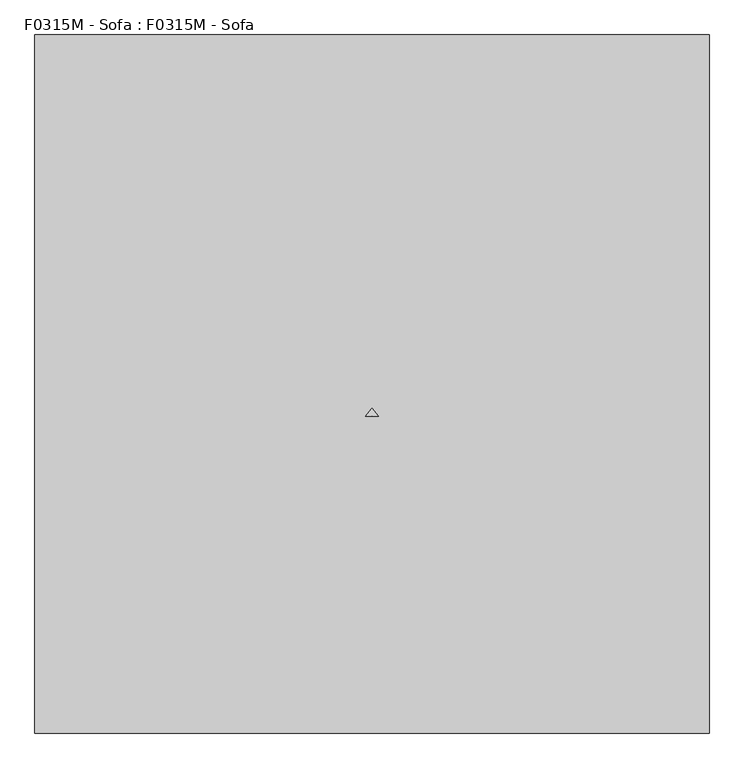
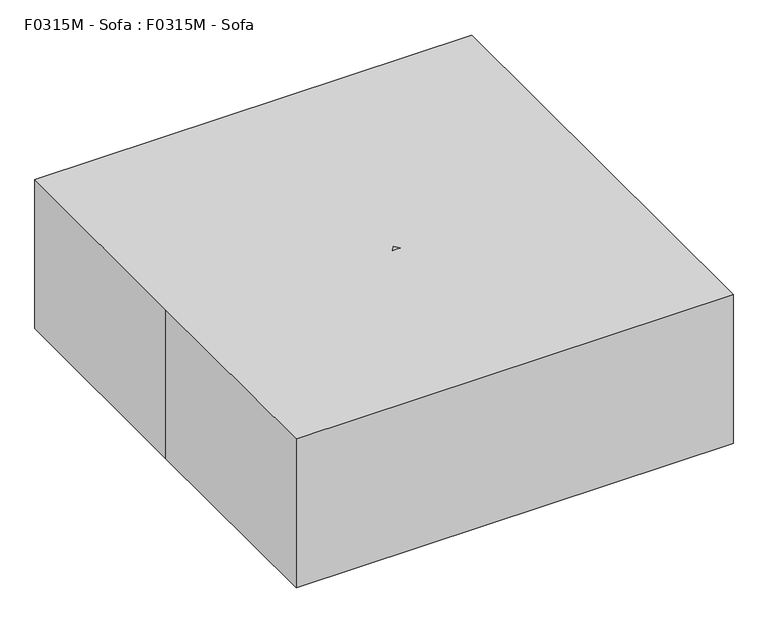
"""IFC4 building model written with IfcOpenShell, lengths in millimetres: proxy geometry, F0315M - Sofa : F0315M - Sofa."""

from ifc_helpers import new_model, si_unit, point, frame, frame_2d, origin, origin_with_axes, place, context, project, spatial, polyline, circle_curve, trimmed, segment, composite_curve, outline, extrude, source, transform, mapped, element, save


def f0315m_sofa_f0315m_sofa_2d7a4205(model_context):
    return source(origin(), model_context, "Body", "SweptSolid", [
        extrude(outline(composite_curve([segment(polyline([(431.8, 965.2), (431.8, 355.6)]), True, "CONTINUOUS"), segment(trimmed(circle_curve(frame_2d((406.4, 355.6)), 25.4), [point((431.8, 355.6))], [point((406.4, 330.2))], False, "CARTESIAN"), True, "CONTINUOUS"), segment(polyline([(406.4, 330.2), (330.2, 330.2), (330.2, 990.6), (406.4, 990.6)]), True, "CONTINUOUS"), segment(trimmed(circle_curve(frame_2d((406.4, 965.2)), 25.4), [point((406.4, 990.6))], [point((431.8, 965.2))], False, "CARTESIAN"), True, "CONTINUOUS")], self_intersect=False)), frame((0.0, -755.092365, 0.0), z_axis=(0.0, 1.0, 0.0), x_axis=(0.0, 0.0, 1.0)), (0.0, 0.0, 1.0), 618.0142551),
        extrude(outline(composite_curve([segment(polyline([(431.8, -355.6), (431.8, -965.2)]), True, "CONTINUOUS"), segment(trimmed(circle_curve(frame_2d((406.4, -965.2)), 25.4), [point((431.8, -965.2))], [point((406.4, -990.6))], False, "CARTESIAN"), True, "CONTINUOUS"), segment(polyline([(406.4, -990.6), (330.2, -990.6), (330.2, -330.2), (406.4, -330.2)]), True, "CONTINUOUS"), segment(trimmed(circle_curve(frame_2d((406.4, -355.6)), 25.4), [point((406.4, -330.2))], [point((431.8, -355.6))], False, "CARTESIAN"), True, "CONTINUOUS")], self_intersect=False)), frame((0.0, -755.092365, 0.0), z_axis=(0.0, 1.0, 0.0), x_axis=(0.0, 0.0, 1.0)), (0.0, 0.0, 1.0), 618.0142551),
        extrude(outline(polyline([(990.6, 38.1), (-990.6, 38.1), (-990.6, 101.6), (990.6, 101.6), (990.6, 38.1)])), frame((0.0, 0.0, 19.05), z_axis=(0.0, 0.0, 1.0), x_axis=(1.0, 0.0, 0.0)), (0.0, 0.0, 1.0), 590.55),
        extrude(outline(composite_curve([segment(polyline([(1981.3746364, 0.0), (1981.3746364, -288.1268149)]), True, "CONTINUOUS"), segment(trimmed(circle_curve(frame_2d((989.3989568, 2458.6692375)), 2920.4287874), [point((1981.3746364, -288.1268149))], [point((0.0, -289.0560047))], False, "CARTESIAN"), True, "CONTINUOUS"), segment(polyline([(0.0, -289.0560047), (0.0, 0.0), (1981.3746364, 0.0)]), True, "CONTINUOUS")], self_intersect=False)), frame((990.6, -36.0313906, 321.1167999), z_axis=(0.0, -0.9975640502598243, 0.06975647374412544), x_axis=(-1.0, 0.0, 0.0)), (0.0, 0.0, 1.0), 101.6),
        extrude(outline(composite_curve([segment(trimmed(circle_curve(frame_2d((-666.6387413, 33.3089154)), 31.75), [point((-698.3887413, 33.3089154))], [point((-634.8887413, 33.3089154))], False, "CARTESIAN"), True, "CONTINUOUS"), segment(trimmed(circle_curve(frame_2d((-666.6387413, 33.3089154)), 31.75), [point((-634.8887413, 33.3089154))], [point((-698.3887413, 33.3089154))], False, "CARTESIAN"), True, "CONTINUOUS")], self_intersect=False)), frame((996.95, 0.0, 0.0), z_axis=(1.0, 0.0, 0.0), x_axis=(0.0, 1.0, 0.0)), (0.0, 0.0, 1.0), 50.8),
        extrude(outline(polyline([(990.6, -713.0468123), (990.6, -620.7125), (1054.1, -620.7125), (1054.1, -713.0468123), (990.6, -713.0468123)])), frame((0.0, 0.0, 66.4991051), z_axis=(0.0, 0.0, 1.0), x_axis=(1.0, 0.0, 0.0)), (0.0, 0.0, 1.0), 35.1008949),
        extrude(outline(polyline([(95.25, 76.2), (77.6578438, 0.0), (20.5078438, 0.0), (2.9156877, 76.2), (2.9156877, 101.6), (95.25, 101.6), (95.25, 76.2)])), frame((990.6, 0.0, 0.0), z_axis=(1.0, 0.0, 0.0), x_axis=(0.0, 1.0, 0.0)), (0.0, 0.0, 1.0), 63.5),
        extrude(outline(composite_curve([segment(polyline([(-101.5877651, 0.0), (-611.4052049, 0.0), (-611.4052049, 101.6), (-721.8894281, 101.6), (-721.8894281, 461.1175191)]), True, "CONTINUOUS"), segment(trimmed(circle_curve(frame_2d((-101.7463258, -3081.0834486)), 3596.0763566), [point((-721.8894281, 461.1175191))], [point((-101.5877651, 514.9929045))], False, "CARTESIAN"), True, "CONTINUOUS"), segment(polyline([(-101.5877651, 514.9929045), (-101.5877651, 0.0)]), True, "CONTINUOUS")], self_intersect=False)), frame((990.6, 0.0, 0.0), z_axis=(1.0, 0.0, 0.0), x_axis=(0.0, 1.0, 0.0)), (0.0, 0.0, 1.0), 63.5),
        extrude(outline(composite_curve([segment(polyline([(0.0, 101.6), (0.0, 0.0), (-101.5877651, 0.0), (-101.5877651, 443.9019127)]), True, "CONTINUOUS"), segment(trimmed(circle_curve(frame_2d((152.4122349, 443.9019127)), 254.0), [point((-101.5877651, 443.9019127))], [point((-40.0978788, 609.6))], False, "CARTESIAN"), True, "CONTINUOUS"), segment(polyline([(-40.0978788, 609.6), (101.6, 609.6), (101.6, 101.6), (0.0, 101.6)]), True, "CONTINUOUS")], self_intersect=False)), frame((990.6, 0.0, 0.0), z_axis=(1.0, 0.0, 0.0), x_axis=(0.0, 1.0, 0.0)), (0.0, 0.0, 1.0), 63.5),
        extrude(outline(composite_curve([segment(trimmed(circle_curve(frame_2d((-666.6387413, 33.3089154)), 31.75), [point((-698.3887413, 33.3089154))], [point((-634.8887413, 33.3089154))], False, "CARTESIAN"), True, "CONTINUOUS"), segment(trimmed(circle_curve(frame_2d((-666.6387413, 33.3089154)), 31.75), [point((-634.8887413, 33.3089154))], [point((-698.3887413, 33.3089154))], False, "CARTESIAN"), True, "CONTINUOUS")], self_intersect=False)), frame((-1047.75, 0.0, 0.0), z_axis=(1.0, 0.0, 0.0), x_axis=(0.0, 1.0, 0.0)), (0.0, 0.0, 1.0), 50.8),
        extrude(outline(composite_curve([segment(polyline([(431.8, 304.8), (431.8, -304.8)]), True, "CONTINUOUS"), segment(trimmed(circle_curve(frame_2d((406.4, -304.8)), 25.4), [point((431.8, -304.8))], [point((406.4, -330.2))], False, "CARTESIAN"), True, "CONTINUOUS"), segment(polyline([(406.4, -330.2), (330.2, -330.2), (330.2, 330.2), (406.4, 330.2)]), True, "CONTINUOUS"), segment(trimmed(circle_curve(frame_2d((406.4, 304.8)), 25.4), [point((406.4, 330.2))], [point((431.8, 304.8))], False, "CARTESIAN"), True, "CONTINUOUS")], self_intersect=False)), frame((0.0, -755.092365, 0.0), z_axis=(0.0, 1.0, 0.0), x_axis=(0.0, 0.0, 1.0)), (0.0, 0.0, 1.0), 618.0142551),
        extrude(outline(polyline([(-990.6, -620.7125), (-990.6, -713.0468123), (-1054.1, -713.0468123), (-1054.1, -620.7125), (-990.6, -620.7125)])), frame((0.0, 0.0, 66.4991051), z_axis=(0.0, 0.0, 1.0), x_axis=(1.0, 0.0, 0.0)), (0.0, 0.0, 1.0), 35.1008949),
        extrude(outline(polyline([(990.6, -704.85), (990.6, -755.65), (-990.6, -755.65), (-990.6, -704.85), (990.6, -704.85)])), frame((0.0, 0.0, 19.05), z_axis=(0.0, 0.0, 1.0), x_axis=(1.0, 0.0, 0.0)), (0.0, 0.0, 1.0), 304.8),
        extrude(outline(polyline([(95.25, 76.2), (77.6578438, 0.0), (20.5078438, 0.0), (2.9156877, 76.2), (2.9156877, 101.6), (95.25, 101.6), (95.25, 76.2)])), frame((-1054.1, 0.0, 0.0), z_axis=(1.0, 0.0, 0.0), x_axis=(0.0, 1.0, 0.0)), (0.0, 0.0, 1.0), 63.5),
        extrude(outline(composite_curve([segment(polyline([(-104.6299903, 0.0), (-611.4052049, 0.0), (-611.4052049, 101.6), (-721.8894281, 101.6), (-721.8894281, 459.2112567)]), True, "CONTINUOUS"), segment(trimmed(circle_curve(frame_2d((-104.6299903, -2880.0160621)), 3395.7986248), [point((-721.8894281, 459.2112567))], [point((-104.6299903, 515.7825627))], False, "CARTESIAN"), True, "CONTINUOUS"), segment(polyline([(-104.6299903, 515.7825627), (-104.6299903, 0.0)]), True, "CONTINUOUS")], self_intersect=False)), frame((-1054.1, 0.0, 0.0), z_axis=(1.0, 0.0, 0.0), x_axis=(0.0, 1.0, 0.0)), (0.0, 0.0, 1.0), 63.5),
        extrude(outline(composite_curve([segment(polyline([(0.0, 101.6), (0.0, 0.0), (-104.6299903, 0.0), (-104.6299903, 438.3858429)]), True, "CONTINUOUS"), segment(trimmed(circle_curve(frame_2d((149.3700097, 438.3858429)), 254.0), [point((-104.6299903, 438.3858429))], [point((-38.2511842, 609.6))], False, "CARTESIAN"), True, "CONTINUOUS"), segment(polyline([(-38.2511842, 609.6), (101.6, 609.6), (101.6, 101.6), (0.0, 101.6)]), True, "CONTINUOUS")], self_intersect=False)), frame((-1054.1, 0.0, 0.0), z_axis=(1.0, 0.0, 0.0), x_axis=(0.0, 1.0, 0.0)), (0.0, 0.0, 1.0), 63.5),
        extrude(outline(polyline([(-1092.2, 1130.3), (1092.2, 1130.3), (1092.2, -1130.3), (-1092.2, -1130.3), (-1092.2, 0.0), (-1092.2, 1130.3)])), origin_with_axes(), (0.0, 0.0, 1.0), 787.4),
    ])


if __name__ == "__main__":
    model = new_model("IFC4")
    model_context = context("Model", 3, world=origin())
    ifc_project = project(units=[si_unit("LENGTHUNIT", "METRE", prefix="MILLI")], contexts=[model_context])
    site = spatial("IfcSite", under=ifc_project)
    building = spatial("IfcBuilding", under=site)
    placement = place(None, origin())
    f0315m_sofa_f0315m_sofa_shape = f0315m_sofa_f0315m_sofa_2d7a4205(model_context)
    element("IfcBuildingElementProxy", 1, Name="F0315M - Sofa : F0315M - Sofa", ObjectType="F0315M - Sofa : F0315M - Sofa", at=placement, inside=building, context=model_context, shape_type="MappedRepresentation", body=[
        mapped(f0315m_sofa_f0315m_sofa_shape, transform((0.0, 0.0, 0.0), x_axis=(1.0, 0.0, 0.0), y_axis=(0.0, 1.0, 0.0), z_axis=(0.0, 0.0, 1.0))),
    ])
    save(model, "model.ifc")
